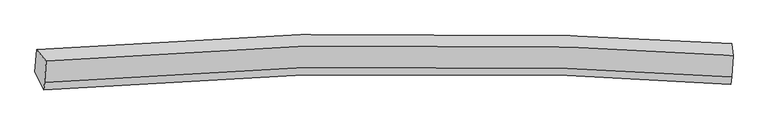
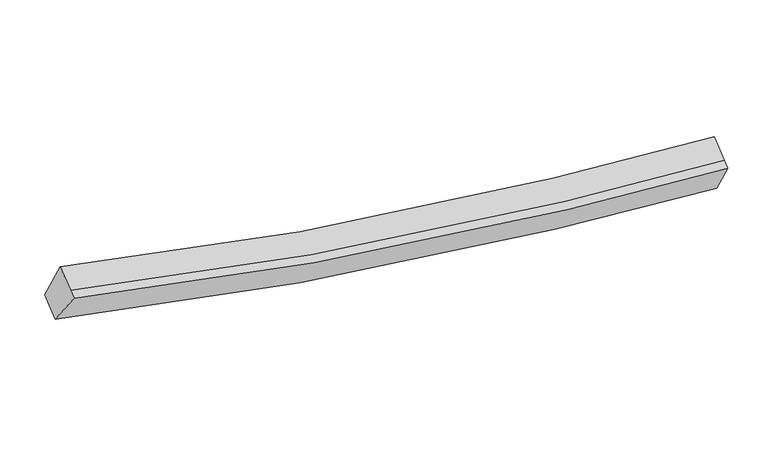
"""IFC4 building model written with IfcOpenShell, lengths in millimetres: proxy geometry."""

from ifc_helpers import new_model, si_unit, frame, origin, place, context, project, spatial, source, transform, mapped, element, save
from ifc_brep_helpers import plane_surface, spline_curve, spline_surface, advanced_brep


def generic_models_d2d32268(model_context):
    return source(origin(), model_context, "Body", "AdvancedBrep", [
        advanced_brep(
        [(-7363.5200292, -1826.7765706, 4159.9984025), (-7181.6145151, -2041.9454767, 4817.4948962), (5885.1506497, -1937.6402666, 2914.0713312), (5859.7574454, -1711.3584502, 2203.6914858), (-7211.8857805, -2454.3783376, 4584.5904327), (5854.9630412, -2348.9333404, 2681.8105154), (-7222.0906363, -2593.4150728, 4506.0751656), (5844.7581853, -2487.9700757, 2603.2952483), (-7394.6031186, -2250.2701832, 3920.8478353), (5829.1605712, -2128.2275907, 1968.2818162)],
        [
            (0, 1),
            (1, 2, spline_curve(3, [(-7181.6145151, -2041.9454767, 4817.4948962), (-3905.579488468, -1749.344321147, 3862.121811371), (-587.443227681, -1660.184028022, 3266.302074466), (3806.263944429, -1809.612558323, 2957.369940833), (4843.716071721, -1864.00444855, 2918.715157097), (5885.1506497, -1937.6402666, 2914.0713312)], [4, 2, 4], [0.0, 33.43832613880842, 43.72256830547549])),
            (2, 3),
            (3, 0, spline_curve(3, [(5859.7574454, -1711.3584502, 2203.6914858), (4812.109062484, -1641.125193897, 2220.464052236), (3767.018289281, -1589.540475239, 2269.369988309), (-665.221515235, -1449.515140548, 2613.901603992), (-4027.889899139, -1539.572565974, 3217.097973825), (-7363.5200292, -1826.7765706, 4159.9984025)], [4, 2, 4], [0.0, 10.28424216666707, 43.72256830547549])),
            (1, 4),
            (4, 5, spline_curve(3, [(-7211.8857805, -2454.3783376, 4584.5904327), (-3935.801541522, -2161.106689428, 3629.595980951), (-617.637395126, -2071.566467042, 3033.990792917), (3776.078353058, -2220.878147088, 2725.124646336), (4813.530480613, -2275.270037448, 2686.469862195), (5854.9630412, -2348.9333404, 2681.8105154)], [4, 2, 4], [0.0, 33.24057995761532, 43.46400360105604])),
            (5, 2),
            (4, 6),
            (6, 7, spline_curve(3, [(-7222.0906363, -2593.4150728, 4506.0751656), (-3946.006397383, -2300.143425026, 3551.080714121), (-627.842251467, -2210.603202034, 2955.475525867), (3765.873497293, -2359.914882352, 2646.60937922), (4803.325624949, -2414.30677278, 2607.954595218), (5844.7581853, -2487.9700757, 2603.2952483)], [4, 2, 4], [0.0, 33.24057840553573, 43.46400157162115])),
            (7, 5),
            (6, 8),
            (8, 9, spline_curve(3, [(-7394.6031186, -2250.2701832, 3920.8478353), (-4059.257447822, -1966.941812773, 2975.758801457), (-696.561178029, -1876.504458404, 2372.776981275), (3736.123497115, -2010.468615561, 2031.668165742), (4781.348456816, -2060.225105913, 1983.794646552), (5829.1605712, -2128.2275907, 1968.2818162)], [4, 2, 4], [0.0, 33.43831935031942, 43.72255942912884])),
            (9, 7),
            (8, 0),
            (3, 9),
        ],
        [
            spline_surface(3, 3, [[(-7363.5200292, -1826.7765706, 4159.9984025), (-4027.889899658, -1539.572566471, 3217.097973393), (-665.221514912, -1449.515140853, 2613.901603835), (3767.018289182, -1589.540475145, 2269.369988357), (4812.109062638, -1641.125193964, 2220.464052343), (5859.7574454, -1711.3584502, 2203.6914858)], [(-7302.884857854, -1898.499539283, 4379.1639004), (-3987.119762486, -1609.496484807, 3432.105919511), (-639.295419076, -1519.738103207, 2831.368427233), (3780.100174236, -1662.897836218, 2498.703305901), (4822.644732395, -1715.418278829, 2453.214420566), (5868.221846841, -1786.785722313, 2440.484767579)], [(-7242.249686446, -1970.222508017, 4598.3293983), (-3946.349625251, -1679.420403193, 3647.113865631), (-613.369323241, -1589.961065555, 3048.835250616), (3793.18205929, -1736.255197286, 2728.036623429), (4833.180402128, -1789.711363755, 2685.964788853), (5876.686248259, -1862.212994487, 2677.278049421)], [(-7181.6145151, -2041.9454767, 4817.4948962), (-3905.579488078, -1749.34432153, 3862.121811749), (-587.443227406, -1660.184027909, 3266.302074014), (3806.263944344, -1809.612558358, 2957.369940973), (4843.716071884, -1864.00444862, 2918.715157076), (5885.1506497, -1937.6402666, 2914.0713312)]], [4, 4], [4, 2, 4], [0.0, 2.287048230171761], [0.0, 33.43832613880842, 43.72256830547549]),
            spline_surface(3, 3, [[(-7181.6145151, -2041.9454767, 4817.4948962), (-3905.579488078, -1749.34432153, 3862.121811749), (-587.443227406, -1660.184027909, 3266.302074014), (3806.263944344, -1809.612558358, 2957.369940973), (4843.716071884, -1864.00444862, 2918.715157076), (5885.1506497, -1937.6402666, 2914.0713312)], [(-7191.70493688, -2179.423096988, 4739.860075032), (-3915.653505845, -1886.598444255, 3784.61320162), (-597.507949978, -1797.31150763, 3188.864980304), (3796.202080589, -1946.701087945, 2879.954842746), (4833.654208129, -2001.092978207, 2841.300058849), (5875.088113506, -2074.737957876, 2836.651059286)], [(-7201.79535872, -2316.900717312, 4662.225253868), (-3925.727523672, -2023.852567016, 3707.104591495), (-607.572672567, -1934.438987322, 3111.427886634), (3786.140216817, -2083.789617502, 2802.53974456), (4823.592344457, -2138.181507763, 2763.884960564), (5865.025577394, -2211.835649124, 2759.230787314)], [(-7211.8857805, -2454.3783376, 4584.5904327), (-3935.801541439, -2161.106689742, 3629.595981366), (-617.637395139, -2071.566467043, 3033.990792924), (3776.078353062, -2220.878147088, 2725.124646333), (4813.530480702, -2275.27003735, 2686.469862337), (5854.9630412, -2348.9333404, 2681.8105154)]], [4, 4], [4, 2, 4], [0.0, 1.5535854599258114], [0.0, 33.24057995761532, 43.46400360105604]),
            spline_surface(3, 3, [[(-7211.8857805, -2454.3783376, 4584.5904327), (-3935.801541439, -2161.106689742, 3629.595981366), (-617.637395139, -2071.566467043, 3033.990792924), (3776.078353062, -2220.878147088, 2725.124646333), (4813.530480702, -2275.27003735, 2686.469862337), (5854.9630412, -2348.9333404, 2681.8105154)], [(-7215.287399126, -2500.723916017, 4558.418677001), (-3939.203160065, -2207.452268159, 3603.424225667), (-621.039013765, -2117.91204546, 3007.819037224), (3772.676734435, -2267.223725505, 2698.952890634), (4810.128862075, -2321.615615767, 2660.298106638), (5851.561422574, -2395.278918817, 2655.638759701)], [(-7218.689017674, -2547.069494383, 4532.246921299), (-3942.604778613, -2253.797846525, 3577.252469966), (-624.440632412, -2164.257623827, 2981.647281523), (3769.275115788, -2313.569303871, 2672.781134933), (4806.727243428, -2367.961194233, 2634.126350936), (5848.159803926, -2441.624497283, 2629.467003999)], [(-7222.0906363, -2593.4150728, 4506.0751656), (-3946.006397239, -2300.143424942, 3551.080714266), (-627.842251039, -2210.603202243, 2955.475525824), (3765.873497162, -2359.914882288, 2646.609379233), (4803.325624802, -2414.30677265, 2607.954595237), (5844.7581853, -2487.9700757, 2603.2952483)]], [4, 4], [4, 2, 4], [0.0, 0.5249343832021003], [0.0, 33.24057840553573, 43.46400157162115]),
            spline_surface(3, 3, [[(-7222.0906363, -2593.4150728, 4506.0751656), (-3946.006397239, -2300.143424942, 3551.080714266), (-627.842251039, -2210.603202243, 2955.475525824), (3765.873497162, -2359.914882288, 2646.609379233), (4803.325624802, -2414.30677265, 2607.954595237), (5844.7581853, -2487.9700757, 2603.2952483)], [(-7279.594797063, -2479.033442921, 4310.999388822), (-3983.756747595, -2189.076220976, 3359.306743361), (-650.748560056, -2099.23695426, 2761.242677639), (3755.956830507, -2243.432793349, 2441.628974759), (4795.999902167, -2296.279550473, 2399.901278955), (5839.558980609, -2368.055914054, 2391.624104262)], [(-7337.098957837, -2364.651813079, 4115.923612078), (-4021.507097961, -2078.009017048, 3167.532772489), (-673.654869123, -1987.870706371, 2567.009829403), (3746.040163804, -2126.950704505, 2236.648570234), (4788.674179505, -2178.252328235, 2191.847962687), (5834.359775891, -2248.141752346, 2179.952960238)], [(-7394.6031186, -2250.2701832, 3920.8478353), (-4059.257448316, -1966.941813082, 2975.758801584), (-696.561178141, -1876.504458388, 2372.776981218), (3736.12349715, -2010.468615566, 2031.668165759), (4781.34845687, -2060.225106058, 1983.794646406), (5829.1605712, -2128.2275907, 1968.2818162)]], [4, 4], [4, 2, 4], [0.0, 2.237914051281054], [0.0, 33.43831935031942, 43.72255942912884]),
            spline_surface(3, 3, [[(-7394.6031186, -2250.2701832, 3920.8478353), (-4059.257448316, -1966.941813082, 2975.758801584), (-696.561178141, -1876.504458388, 2372.776981218), (3736.12349715, -2010.468615566, 2031.668165759), (4781.34845687, -2060.225106058, 1983.794646406), (5829.1605712, -2128.2275907, 1968.2818162)], [(-7384.242088777, -2109.105645691, 4000.564691045), (-4048.80159874, -1824.48539757, 3056.205192198), (-686.11462376, -1734.174685879, 2453.151855415), (3746.421761131, -1870.159235429, 2110.902106617), (4791.601992129, -1920.525135367, 2062.68444839), (5839.35952927, -1989.27121054, 2046.751706072)], [(-7373.881059023, -1967.941108109, 4080.281546755), (-4038.345749234, -1682.028981983, 3136.651582778), (-675.668069292, -1591.844913362, 2533.526729638), (3756.720025201, -1729.849855283, 2190.1360475), (4801.855527379, -1780.825164655, 2141.574250359), (5849.55848733, -1850.31483036, 2125.221595928)], [(-7363.5200292, -1826.7765706, 4159.9984025), (-4027.889899658, -1539.572566471, 3217.097973393), (-665.221514912, -1449.515140853, 2613.901603835), (3767.018289182, -1589.540475145, 2269.369988357), (4812.109062638, -1641.125193964, 2220.464052343), (5859.7574454, -1711.3584502, 2203.6914858)]], [4, 4], [4, 2, 4], [0.0, 1.6070006958913652], [0.0, 33.66157231689203, 44.014475748141066]),
            plane_surface(frame((5854.7067129, -2066.2990958, 2422.3349704), z_axis=(0.9977352031902265, -0.04499631610200669, -0.0499979584803826), x_axis=(-0.021366594619524757, 0.49279792457436233, -0.8698814138545358))),
            plane_surface(frame((-7290.4570748, -2178.1018258, 4351.1040749), z_axis=(-0.9670554468930569, -0.06761342020015002, 0.2454224684972993), x_axis=(-0.06378034924112799, -0.8689795953142005, -0.49072041936142013))),
        ],
        [
            (0, [[1, 2, 3, 4]]),
            (1, [[5, 6, 7, -2]]),
            (2, [[8, 9, 10, -6]]),
            (3, [[11, 12, 13, -9]]),
            (4, [[14, -4, 15, -12]]),
            (5, [[-13, -15, -3, -7, -10]]),
            (6, [[-14, -11, -8, -5, -1]]),
        ],
    ),
    ])


if __name__ == "__main__":
    model = new_model("IFC4")
    model_context = context("Model", 3, world=origin())
    ifc_project = project(units=[si_unit("LENGTHUNIT", "METRE", prefix="MILLI")], contexts=[model_context])
    site = spatial("IfcSite", under=ifc_project)
    building = spatial("IfcBuilding", under=site)
    placement = place(None, origin())
    generic_models_shape = generic_models_d2d32268(model_context)
    element("IfcBuildingElementProxy", 1, Name="Generic Models", at=placement, inside=building, context=model_context, shape_type="MappedRepresentation", body=[
        mapped(generic_models_shape, transform((0.0, 0.0, 0.0), x_axis=(1.0, 0.0, 0.0), y_axis=(0.0, 1.0, 0.0), z_axis=(0.0, 0.0, 1.0))),
    ])
    save(model, "model.ifc")
